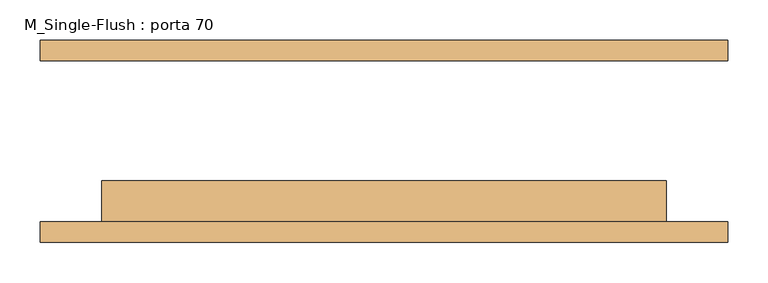
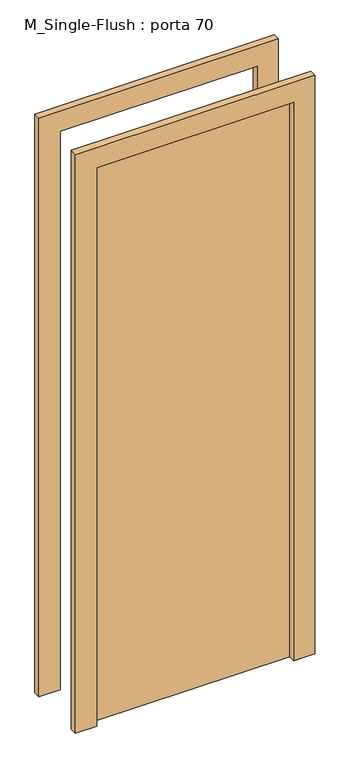
"""IFC4 building model written with IfcOpenShell, lengths in millimetres: door geometry, M_Single-Flush : porta 70."""

from ifc_helpers import new_model, si_unit, frame, origin, origin_with_axes, place, context, project, spatial, polyline, outline, extrude, source, transform, mapped, element, save


def m_single_flush_porta_70_b827da78(model_context):
    return source(origin(), model_context, "Body", "SweptSolid", [
        extrude(outline(polyline([(2176.0, -426.0), (0.0, -426.0), (0.0, -350.0), (2100.0, -350.0), (2100.0, 350.0), (0.0, 350.0), (0.0, 426.0), (2176.0, 426.0), (2176.0, -426.0)])), frame((0.0, -125.0, 0.0), z_axis=(0.0, 1.0, 0.0), x_axis=(0.0, 0.0, 1.0)), (0.0, 0.0, 1.0), 25.0),
        extrude(outline(polyline([(2176.0, 426.0), (2176.0, -426.0), (0.0, -426.0), (0.0, -350.0), (2100.0, -350.0), (2100.0, 350.0), (0.0, 350.0), (0.0, 426.0), (2176.0, 426.0)])), frame((0.0, 100.0, 0.0), z_axis=(0.0, 1.0, 0.0), x_axis=(0.0, 0.0, 1.0)), (0.0, 0.0, 1.0), 25.0),
        extrude(outline(polyline([(350.0, -49.0), (350.0, -100.0), (-350.0, -100.0), (-350.0, -49.0), (350.0, -49.0)])), origin_with_axes(), (0.0, 0.0, 1.0), 2100.0),
    ])


if __name__ == "__main__":
    model = new_model("IFC4")
    model_context = context("Model", 3, world=origin())
    ifc_project = project(units=[si_unit("LENGTHUNIT", "METRE", prefix="MILLI")], contexts=[model_context])
    site = spatial("IfcSite", under=ifc_project)
    building = spatial("IfcBuilding", under=site)
    placement = place(None, origin())
    m_single_flush_porta_70_shape = m_single_flush_porta_70_b827da78(model_context)
    element("IfcDoor", 1, ObjectType="M_Single-Flush : porta 70", at=placement, inside=building, context=model_context, shape_type="MappedRepresentation", body=[
        mapped(m_single_flush_porta_70_shape, transform((0.0, 0.0, 0.0), x_axis=(1.0, 0.0, 0.0), y_axis=(0.0, 1.0, 0.0), z_axis=(0.0, 0.0, 1.0))),
    ])
    save(model, "model.ifc")
